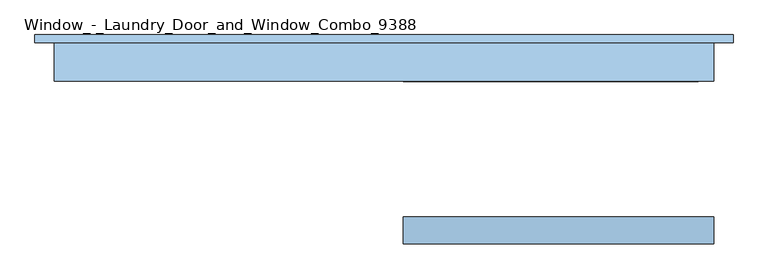
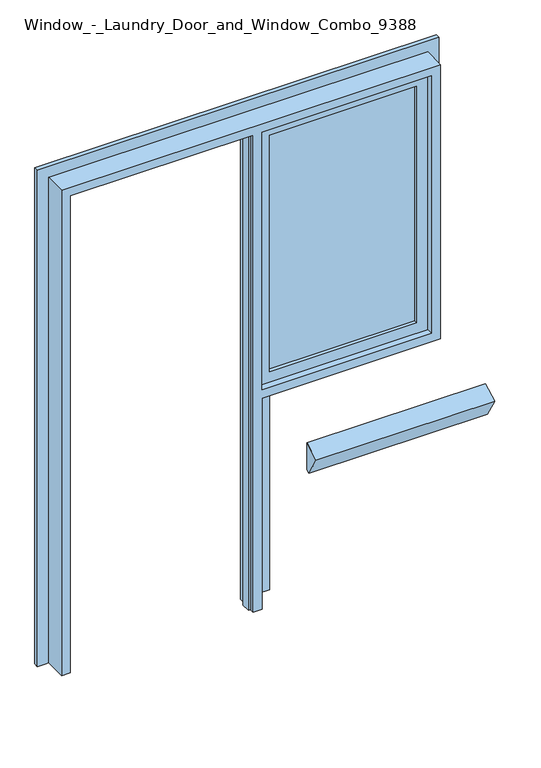
"""IFC4 building model written with IfcOpenShell, lengths in millimetres: window geometry, Window_-_Laundry_Door_and_Window_Combo_9388."""

from ifc_helpers import new_model, si_unit, frame, origin, place, context, project, spatial, polyline, outline, extrude, faceted_brep, source, transform, mapped, element, save


def window_laundry_door_and_window_combo_9388_4eb7be7a(model_context):
    return source(origin(), model_context, "Body", "SolidModel", [
        extrude(outline(polyline([(-295.0, 959.5854812), (-225.0, 1000.0), (-225.0, 872.9829408), (-240.0, 864.3226867), (-295.0, 959.5854812)])), frame((-100.0, 0.0, 0.0), z_axis=(1.0, 0.0, 0.0), x_axis=(0.0, 1.0, 0.0)), (0.0, 0.0, 1.0), 800.0),
        extrude(outline(polyline([(1040.0, -100.0), (1040.0, 660.0), (2260.0, 660.0), (2260.0, -100.0), (1040.0, -100.0)]), holes=[polyline([(2210.0, -50.0), (2210.0, 610.0), (1090.0, 610.0), (1090.0, -50.0), (2210.0, -50.0)])]), frame((0.0, 155.0, 0.0), z_axis=(0.0, 1.0, 0.0), x_axis=(0.0, 0.0, 1.0)), (0.0, 0.0, 1.0), 40.0),
        extrude(outline(polyline([(610.0, 180.0), (610.0, 170.0), (-50.0, 170.0), (-50.0, 180.0), (610.0, 180.0)])), frame((0.0, 0.0, 1090.0), z_axis=(0.0, 0.0, 1.0), x_axis=(1.0, 0.0, 0.0)), (0.0, 0.0, 1.0), 1120.0),
        faceted_brep([(-100.0, 225.0, 1000.0), (-100.0, 225.0, 0.0), (-140.0, 225.0, 0.0), (-140.0, 225.0, 2260.0), (-960.0, 225.0, 2260.0), (-960.0, 225.0, 0.0), (-1000.0, 225.0, 0.0), (-1000.0, 225.0, 2300.0), (700.0, 225.0, 2300.0), (700.0, 225.0, 1000.0), (-90.0, 225.0, 1050.0), (650.0, 225.0, 1050.0), (650.0, 225.0, 2250.0), (-90.0, 225.0, 2250.0), (700.0, 125.0, 1000.0), (-100.0, 125.0, 1000.0), (700.0, 125.0, 2300.0), (-1000.0, 125.0, 0.0), (-1000.0, 125.0, 2300.0), (-960.0, 185.0, 0.0), (-950.0, 185.0, 0.0), (-950.0, 145.0, 0.0), (-960.0, 145.0, 0.0), (-960.0, 125.0, 0.0), (-960.0, 145.0, 2260.0), (-960.0, 125.0, 2260.0), (-960.0, 185.0, 2260.0), (-140.0, 185.0, 0.0), (-140.0, 185.0, 2260.0), (-140.0, 125.0, 2260.0), (-140.0, 145.0, 2260.0), (-140.0, 145.0, 0.0), (-140.0, 125.0, 0.0), (-100.0, 125.0, 0.0), (-150.0, 145.0, 0.0), (-150.0, 185.0, 0.0), (-100.0, 125.0, 1040.0), (-100.0, 195.0, 1040.0), (-100.0, 195.0, 2260.0), (-100.0, 125.0, 2260.0), (-90.0, 195.0, 2250.0), (-90.0, 195.0, 1050.0), (650.0, 195.0, 1050.0), (650.0, 195.0, 2250.0), (660.0, 125.0, 2260.0), (660.0, 125.0, 1040.0), (660.0, 195.0, 1040.0), (660.0, 195.0, 2260.0), (-950.0, 145.0, 2250.0), (-150.0, 145.0, 2250.0), (-950.0, 185.0, 2250.0), (-150.0, 185.0, 2250.0)], [[[0, 1, 2, 3, 4, 5, 6, 7, 8, 9], [10, 11, 12, 13]], [[9, 14, 15, 0]], [[8, 16, 14, 9]], [[6, 17, 18, 7]], [[5, 19, 20, 21, 22, 23, 17, 6]], [[23, 22, 24, 25]], [[4, 26, 19, 5]], [[2, 27, 28, 3]], [[29, 30, 31, 32]], [[1, 33, 32, 31, 34, 35, 27, 2]], [[1, 0, 15, 33]], [[36, 37, 38, 39]], [[40, 41, 10, 13]], [[42, 43, 12, 11]], [[41, 42, 11, 10]], [[25, 29, 32, 33, 15, 14, 16, 18, 17, 23], [36, 39, 44, 45]], [[45, 46, 37, 36]], [[46, 47, 38, 37], [40, 43, 42, 41]], [[44, 47, 46, 45]], [[31, 30, 24, 22, 21, 48, 49, 34]], [[50, 48, 21, 20]], [[35, 51, 50, 20, 19, 26, 28, 27]], [[34, 49, 51, 35]], [[39, 38, 47, 44]], [[25, 24, 30, 29]], [[3, 28, 26, 4]], [[7, 18, 16, 8]], [[13, 12, 43, 40]], [[51, 49, 48, 50]]]),
        faceted_brep([(-10.0, 245.0, 0.0), (-10.0, 225.0, 0.0), (-100.0, 225.0, 0.0), (-80.0, 245.0, 0.0), (-80.0, 245.0, 1020.0), (680.0, 245.0, 1020.0), (680.0, 245.0, 2280.0), (-980.0, 245.0, 2280.0), (-980.0, 245.0, 0.0), (-1050.0, 245.0, 0.0), (-1050.0, 245.0, 2350.0), (750.0, 245.0, 2350.0), (750.0, 245.0, 950.0), (-10.0, 245.0, 950.0), (-100.0, 225.0, 1040.0), (-10.0, 225.0, 950.0), (750.0, 225.0, 950.0), (750.0, 225.0, 2350.0), (-1050.0, 225.0, 2350.0), (-1050.0, 225.0, 0.0), (-960.0, 225.0, 0.0), (-960.0, 225.0, 2260.0), (660.0, 225.0, 2260.0), (660.0, 225.0, 1040.0)], [[[0, 1, 2, 3]], [[3, 4, 5, 6, 7, 8, 9, 10, 11, 12, 13, 0]], [[2, 14, 4, 3]], [[1, 15, 16, 17, 18, 19, 20, 21, 22, 23, 14, 2]], [[0, 13, 15, 1]], [[13, 12, 16, 15]], [[12, 11, 17, 16]], [[10, 9, 19, 18]], [[9, 8, 20, 19]], [[21, 20, 8, 7]], [[23, 22, 6, 5]], [[14, 23, 5, 4]], [[22, 21, 7, 6]], [[11, 10, 18, 17]]]),
    ])


if __name__ == "__main__":
    model = new_model("IFC4")
    model_context = context("Model", 3, world=origin())
    ifc_project = project(units=[si_unit("LENGTHUNIT", "METRE", prefix="MILLI")], contexts=[model_context])
    site = spatial("IfcSite", under=ifc_project)
    building = spatial("IfcBuilding", under=site)
    placement = place(None, origin())
    window_laundry_door_and_window_combo_9388_shape = window_laundry_door_and_window_combo_9388_4eb7be7a(model_context)
    element("IfcWindow", 1, ObjectType="Window_-_Laundry_Door_and_Window_Combo_9388", at=placement, inside=building, context=model_context, shape_type="MappedRepresentation", body=[
        mapped(window_laundry_door_and_window_combo_9388_shape, transform((0.0, 0.0, 0.0), x_axis=(1.0, 0.0, 0.0), y_axis=(0.0, 1.0, 0.0), z_axis=(0.0, 0.0, 1.0))),
    ])
    save(model, "model.ifc")
